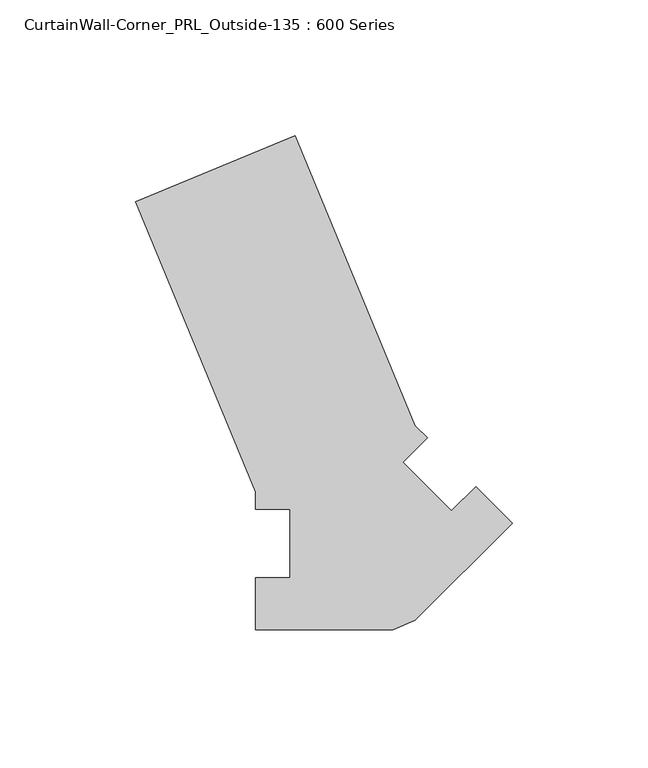
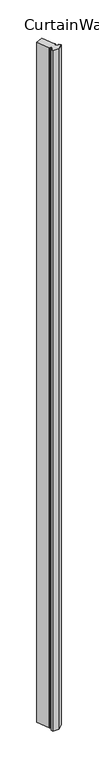
"""IFC4 building model written with IfcOpenShell, lengths in millimetres: proxy geometry, CurtainWall-Corner_PRL_Outside-135 : 600 Series."""

from ifc_helpers import new_model, si_unit, origin, origin_with_axes, place, context, project, spatial, polyline, outline, extrude, source, transform, mapped, element, save


def curtainwall_corner_prl_outside_135_600_series_b8004ae2(model_context):
    return source(origin(), model_context, "Body", "SweptSolid", [
        extrude(outline(polyline([(0.0, -12.7), (0.0, 12.7), (-12.7, 12.7), (-12.7, 19.05), (-57.0482263, 126.1160893), (1.8818698, 150.5257343), (46.230096, 43.459645), (50.7202241, 38.969517), (41.739968, 29.9892608), (59.7004802, 12.0287486), (68.6807363, 21.0090047), (82.1511205, 7.5386205), (46.230096, -28.382404), (38.1, -31.75), (-12.7, -31.75), (-12.7, -12.7), (0.0, -12.7)])), origin_with_axes(), (0.0, 0.0, 1.0), 6096.0),
    ])


if __name__ == "__main__":
    model = new_model("IFC4")
    model_context = context("Model", 3, world=origin())
    ifc_project = project(units=[si_unit("LENGTHUNIT", "METRE", prefix="MILLI")], contexts=[model_context])
    site = spatial("IfcSite", under=ifc_project)
    building = spatial("IfcBuilding", under=site)
    placement = place(None, origin())
    curtainwall_corner_prl_outside_135_600_series_shape = curtainwall_corner_prl_outside_135_600_series_b8004ae2(model_context)
    element("IfcBuildingElementProxy", 1, Name="CurtainWall-Corner_PRL_Outside-135 : 600 Series", ObjectType="CurtainWall-Corner_PRL_Outside-135 : 600 Series", at=placement, inside=building, context=model_context, shape_type="MappedRepresentation", body=[
        mapped(curtainwall_corner_prl_outside_135_600_series_shape, transform((0.0, 0.0, 0.0), x_axis=(1.0, 0.0, 0.0), y_axis=(0.0, 1.0, 0.0), z_axis=(0.0, 0.0, 1.0))),
    ])
    save(model, "model.ifc")
